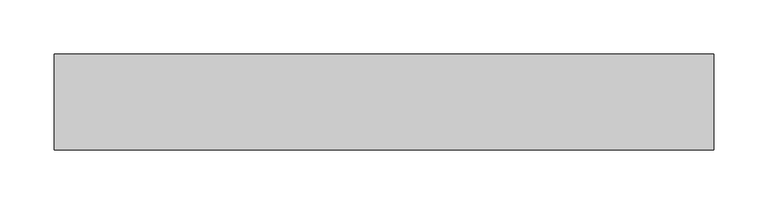
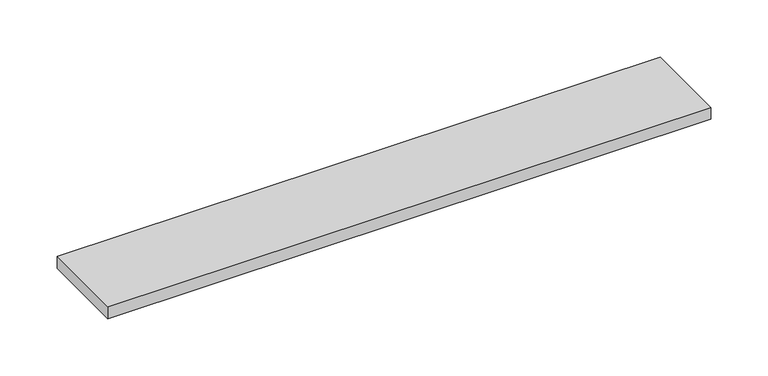
"""IFC4 building model written with IfcOpenShell, lengths in millimetres: furniture geometry."""

from ifc_helpers import new_model, si_unit, frame, origin, place, context, project, spatial, polyline, outline, extrude, source, transform, mapped, element, save


def furniture_4f4052e9(model_context):
    return source(origin(), model_context, "Body", "SweptSolid", [
        extrude(outline(polyline([(248.81205, 38.735), (248.81205, -50.165), (-360.78795, -50.165), (-360.78795, 38.735), (248.81205, 38.735)])), frame((0.0, 0.0, 1168.4), z_axis=(0.0, 0.0, 1.0), x_axis=(1.0, 0.0, 0.0)), (0.0, 0.0, 1.0), 12.7),
    ])


if __name__ == "__main__":
    model = new_model("IFC4")
    model_context = context("Model", 3, world=origin())
    ifc_project = project(units=[si_unit("LENGTHUNIT", "METRE", prefix="MILLI")], contexts=[model_context])
    site = spatial("IfcSite", under=ifc_project)
    building = spatial("IfcBuilding", under=site)
    placement = place(None, origin())
    furniture_shape = furniture_4f4052e9(model_context)
    element("IfcFurniture", 1, at=placement, inside=building, context=model_context, shape_type="MappedRepresentation", body=[
        mapped(furniture_shape, transform((0.0, 0.0, 0.0), x_axis=(1.0, 0.0, 0.0), y_axis=(0.0, 1.0, 0.0), z_axis=(0.0, 0.0, 1.0))),
    ])
    save(model, "model.ifc")
